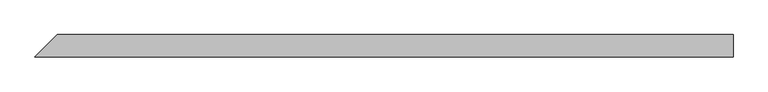
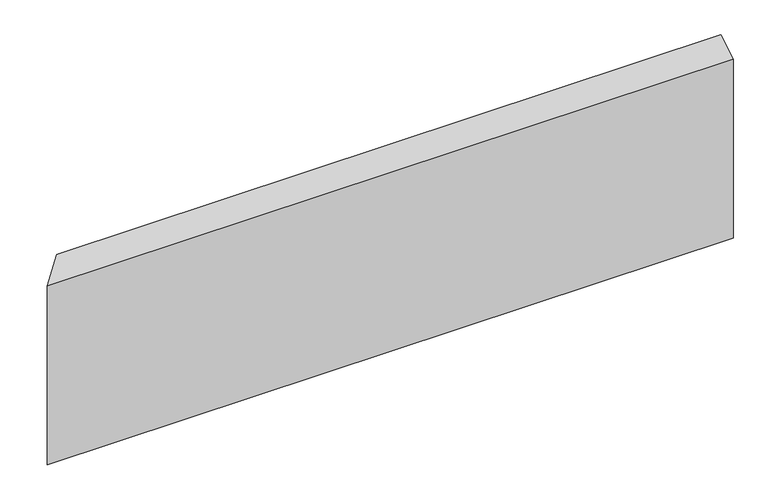
"""IFC4 building model written with IfcOpenShell, lengths in millimetres: beam geometry."""

from ifc_helpers import new_model, si_unit, origin, place, context, project, spatial, faceted_brep, source, transform, mapped, element, save


def beam_deeea091(model_context):
    return source(origin(), model_context, "Body", "Brep", [
        faceted_brep([(590.55, -19.05, 154.2944112), (-609.6, -19.05, 154.2944112), (-609.6, -19.05, -176.5194112), (590.55, -19.05, -176.5194112), (590.55, 19.05, 176.5194112), (590.55, 19.05, -154.2944112), (-571.5, 19.05, -154.2944112), (-571.5, 19.05, 176.5194112)], [[[0, 1, 2, 3]], [[4, 5, 6, 7]], [[5, 4, 0, 3]], [[6, 5, 3, 2]], [[7, 6, 2, 1]], [[4, 7, 1, 0]]]),
    ])


if __name__ == "__main__":
    model = new_model("IFC4")
    model_context = context("Model", 3, world=origin())
    ifc_project = project(units=[si_unit("LENGTHUNIT", "METRE", prefix="MILLI")], contexts=[model_context])
    site = spatial("IfcSite", under=ifc_project)
    building = spatial("IfcBuilding", under=site)
    placement = place(None, origin())
    beam_shape = beam_deeea091(model_context)
    element("IfcBeam", 1, at=placement, inside=building, context=model_context, shape_type="MappedRepresentation", body=[
        mapped(beam_shape, transform((0.0, 0.0, 0.0), x_axis=(1.0, 0.0, 0.0), y_axis=(0.0, 1.0, 0.0), z_axis=(0.0, 0.0, 1.0))),
    ])
    save(model, "model.ifc")
